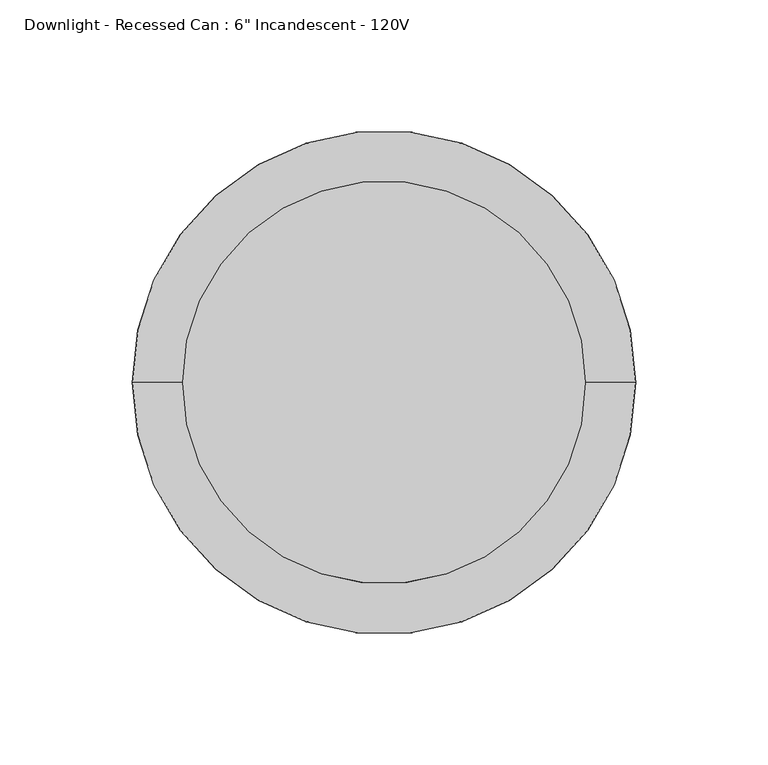
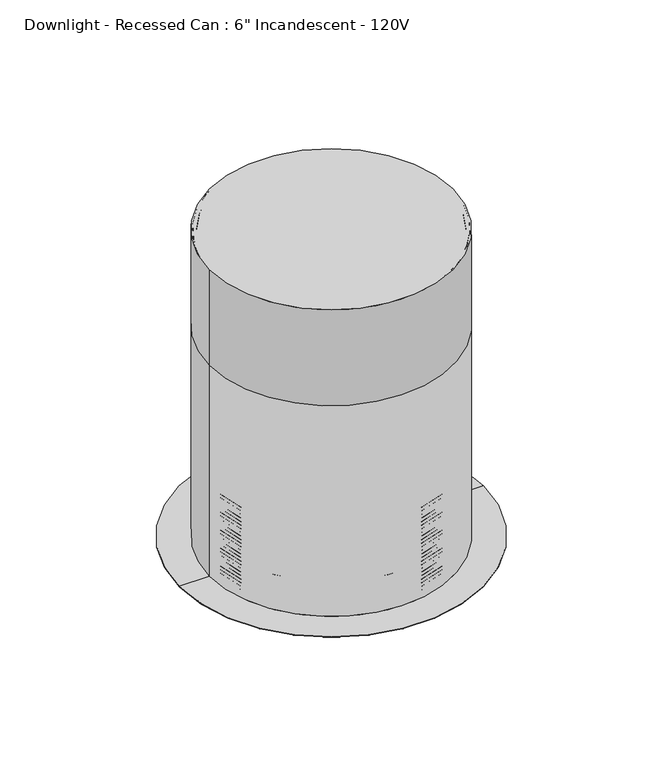
"""IFC4 building model written with IfcOpenShell, lengths in millimetres: light fixture geometry."""

from ifc_helpers import new_model, si_unit, point, frame, origin, origin_2d, place, context, project, spatial, polyline, circle_curve, ellipse_curve, trimmed, segment, composite_curve, outline, extrude, source, transform, mapped, element, save
from ifc_brep_helpers import plane_surface, cylinder_surface, revolved_surface, advanced_brep


def light_fixture_343247c4(model_context):
    return source(origin(), model_context, "Body", "SolidModel", [
        extrude(outline(composite_curve([segment(trimmed(circle_curve(origin_2d(), 76.2), [point((-76.2, 0.0))], [point((76.2, 0.0))], False, "CARTESIAN"), True, "CONTINUOUS"), segment(trimmed(circle_curve(origin_2d(), 76.2), [point((76.2, 0.0))], [point((-76.2, 0.0))], False, "CARTESIAN"), True, "CONTINUOUS")], self_intersect=False)), frame((0.0, 0.0, 2578.1), z_axis=(0.0, 0.0, 1.0), x_axis=(1.0, 0.0, 0.0)), (0.0, 0.0, 1.0), 63.5),
        advanced_brep(
        [(-75.4062638, 0.0, 2461.1274041), (75.4062638, 0.0, 2461.1274041), (75.4062638, 0.0, 2460.2502292), (-75.4062638, 0.0, 2460.2502292), (0.0, 0.0, 2444.750067), (0.0, 0.0, 2443.95625)],
        [
            (0, 1, circle_curve(frame((0.0, 0.0, 2461.1274041), z_axis=(0.0, 0.0, -1.0), x_axis=(1.0, 0.0, 0.0)), 75.4062638)),
            (1, 2),
            (2, 3, circle_curve(frame((0.0, 0.0, 2460.2502292), z_axis=(0.0, 0.0, 1.0), x_axis=(1.0, 0.0, 0.0)), 75.4062638)),
            (3, 0),
            (1, 0, circle_curve(frame((0.0, 0.0, 2461.1274041), z_axis=(0.0, 0.0, -1.0), x_axis=(1.0, 0.0, 0.0)), 75.4062638)),
            (3, 2, circle_curve(frame((0.0, 0.0, 2460.2502292), z_axis=(0.0, 0.0, 1.0), x_axis=(1.0, 0.0, 0.0)), 75.4062638)),
            (4, 1, circle_curve(frame((2.2331891, 0.0, 2616.2531893), z_axis=(0.0, -1.0, 0.0), x_axis=(1.0, 0.0, 0.0)), 171.5176612)),
            (0, 4, circle_curve(frame((-2.2331891, 0.0, 2616.2531893), z_axis=(0.0, -1.0, 0.0), x_axis=(-1.0, 0.0, 0.0)), 171.5176612)),
            (2, 5, circle_curve(frame((2.2331891, 0.0, 2616.2531893), z_axis=(0.0, 1.0, 0.0), x_axis=(1.0, 0.0, 0.0)), 172.3114112)),
            (5, 3, circle_curve(frame((-2.2331891, 0.0, 2616.2531893), z_axis=(0.0, 1.0, 0.0), x_axis=(-1.0, 0.0, 0.0)), 172.3114112)),
        ],
        [
            cylinder_surface(frame((0.0, 0.0, 2483.4474833), z_axis=(0.0, 0.0, 1.0), x_axis=(1.0, 0.0, 0.0)), 75.4062638),
            revolved_surface(trimmed(ellipse_curve(frame((2.2331891, 0.0, 2616.2531893), z_axis=(0.0, 1.0, 0.0), x_axis=(1.0, 0.0, 0.0)), 171.5176612, 171.5176612), [point((75.4062638, 0.0, 2461.1274041))], [point((0.0, 0.0, 2444.750067))], True, "CARTESIAN"), (0.0, 0.0, 2483.4474833), (0.0, 0.0, 1.0)),
            revolved_surface(trimmed(ellipse_curve(frame((2.2331891, 0.0, 2616.2531893), z_axis=(0.0, -1.0, 0.0), x_axis=(1.0, 0.0, 0.0)), 172.3114112, 172.3114112), [point((0.0, 0.0, 2443.95625))], [point((75.4062638, 0.0, 2460.2502292))], True, "CARTESIAN"), (0.0, 0.0, 2483.4474833), (0.0, 0.0, 1.0)),
        ],
        [
            (0, [[1, 2, 3, 4]]),
            (0, [[5, -4, 6, -2]]),
            (1, [[7, -1, 8]]),
            (1, [[-8, -5, -7]]),
            (2, [[-3, 9, 10]]),
            (2, [[-6, -10, -9]]),
        ],
    ),
        advanced_brep(
        [(0.0, -75.40625, 2641.6), (0.0, 75.40625, 2641.6), (0.0, 75.40625, 2438.4), (0.0, -75.40625, 2438.4), (0.0, -73.025, 2641.6), (0.0, 73.025, 2641.6), (0.0, -73.025, 2497.93125), (0.0, 73.025, 2497.93125), (0.0, -74.215625, 2496.740625), (0.0, 74.215625, 2496.740625), (0.0, -73.025, 2495.55), (0.0, 73.025, 2495.55), (0.0, -74.215625, 2494.359375), (0.0, 74.215625, 2494.359375), (0.0, -73.025, 2493.16875), (0.0, 73.025, 2493.16875), (0.0, -74.215625, 2491.978125), (0.0, 74.215625, 2491.978125), (0.0, -73.025, 2490.7875), (0.0, 73.025, 2490.7875), (0.0, -74.215625, 2489.596875), (0.0, 74.215625, 2489.596875), (0.0, -73.025, 2488.40625), (0.0, 73.025, 2488.40625), (0.0, -74.215625, 2487.215625), (0.0, 74.215625, 2487.215625), (0.0, -73.025, 2486.025), (0.0, 73.025, 2486.025), (0.0, -74.215625, 2484.834375), (0.0, 74.215625, 2484.834375), (0.0, -73.025, 2483.64375), (0.0, 73.025, 2483.64375), (0.0, -74.215625, 2482.453125), (0.0, 74.215625, 2482.453125), (0.0, -73.025, 2481.2625), (0.0, 73.025, 2481.2625), (0.0, -74.215625, 2480.071875), (0.0, 74.215625, 2480.071875), (0.0, -73.025, 2478.88125), (0.0, 73.025, 2478.88125), (0.0, -74.215625, 2477.690625), (0.0, 74.215625, 2477.690625), (0.0, -73.025, 2476.5), (0.0, 73.025, 2476.5), (0.0, -74.215625, 2475.309375), (0.0, 74.215625, 2475.309375), (0.0, -73.025, 2474.11875), (0.0, 73.025, 2474.11875), (0.0, -74.215625, 2472.928125), (0.0, 74.215625, 2472.928125), (0.0, -73.025, 2471.7375), (0.0, 73.025, 2471.7375), (0.0, -74.215625, 2470.546875), (0.0, 74.215625, 2470.546875), (0.0, -73.025, 2469.35625), (0.0, 73.025, 2469.35625), (0.0, -74.215625, 2468.165625), (0.0, 74.215625, 2468.165625), (0.0, -73.025, 2466.975), (0.0, 73.025, 2466.975), (0.0, -74.215625, 2465.784375), (0.0, 74.215625, 2465.784375), (0.0, -73.025, 2464.59375), (0.0, 73.025, 2464.59375), (0.0, -74.215625, 2463.403125), (0.0, 74.215625, 2463.403125), (0.0, -73.025, 2462.2125), (0.0, 73.025, 2462.2125), (0.0, -74.215625, 2461.021875), (0.0, 74.215625, 2461.021875), (0.0, -73.025, 2459.83125), (0.0, 73.025, 2459.83125), (0.0, -74.215625, 2458.640625), (0.0, 74.215625, 2458.640625), (0.0, -73.025, 2457.45), (0.0, 73.025, 2457.45), (0.0, -74.215625, 2456.259375), (0.0, 74.215625, 2456.259375), (0.0, -73.025, 2455.06875), (0.0, 73.025, 2455.06875), (0.0, -74.215625, 2453.878125), (0.0, 74.215625, 2453.878125), (0.0, -73.025, 2452.6875), (0.0, 73.025, 2452.6875), (0.0, -74.215625, 2451.496875), (0.0, 74.215625, 2451.496875), (0.0, -73.025, 2450.30625), (0.0, 73.025, 2450.30625), (0.0, -74.215625, 2449.115625), (0.0, 74.215625, 2449.115625), (0.0, -73.025, 2447.925), (0.0, 73.025, 2447.925), (0.0, -74.215625, 2446.734375), (0.0, 74.215625, 2446.734375), (0.0, -73.025, 2445.54375), (0.0, 73.025, 2445.54375), (0.0, -74.215625, 2444.353125), (0.0, 74.215625, 2444.353125), (0.0, -73.025, 2443.1625), (0.0, 73.025, 2443.1625), (0.0, -74.215625, 2441.971875), (0.0, 74.215625, 2441.971875), (0.0, -73.025, 2440.78125), (0.0, 73.025, 2440.78125)],
        [
            (0, 1, circle_curve(frame((0.0, 0.0, 2641.6), z_axis=(0.0, 0.0, -1.0), x_axis=(0.0, 1.0, 0.0)), 75.40625)),
            (1, 2),
            (2, 3, circle_curve(frame((0.0, 0.0, 2438.4), z_axis=(0.0, 0.0, 1.0), x_axis=(0.0, 1.0, 0.0)), 75.40625)),
            (3, 0),
            (1, 0, circle_curve(frame((0.0, 0.0, 2641.6), z_axis=(0.0, 0.0, -1.0), x_axis=(0.0, 1.0, 0.0)), 75.40625)),
            (3, 2, circle_curve(frame((0.0, 0.0, 2438.4), z_axis=(0.0, 0.0, 1.0), x_axis=(0.0, 1.0, 0.0)), 75.40625)),
            (4, 5, circle_curve(frame((0.0, 0.0, 2641.6), z_axis=(0.0, 0.0, -1.0), x_axis=(0.0, 1.0, 0.0)), 73.025)),
            (5, 1),
            (0, 4),
            (5, 4, circle_curve(frame((0.0, 0.0, 2641.6), z_axis=(0.0, 0.0, -1.0), x_axis=(0.0, 1.0, 0.0)), 73.025)),
            (6, 7, circle_curve(frame((0.0, 0.0, 2497.93125), z_axis=(0.0, 0.0, -1.0), x_axis=(0.0, 1.0, 0.0)), 73.025)),
            (7, 5),
            (4, 6),
            (7, 6, circle_curve(frame((0.0, 0.0, 2497.93125), z_axis=(0.0, 0.0, -1.0), x_axis=(0.0, 1.0, 0.0)), 73.025)),
            (8, 9, circle_curve(frame((0.0, 0.0, 2496.740625), z_axis=(0.0, 0.0, -1.0), x_axis=(0.0, 1.0, 0.0)), 74.215625)),
            (9, 7),
            (6, 8),
            (9, 8, circle_curve(frame((0.0, 0.0, 2496.740625), z_axis=(0.0, 0.0, -1.0), x_axis=(0.0, 1.0, 0.0)), 74.215625)),
            (10, 11, circle_curve(frame((0.0, 0.0, 2495.55), z_axis=(0.0, 0.0, -1.0), x_axis=(0.0, 1.0, 0.0)), 73.025)),
            (11, 9),
            (8, 10),
            (11, 10, circle_curve(frame((0.0, 0.0, 2495.55), z_axis=(0.0, 0.0, -1.0), x_axis=(0.0, 1.0, 0.0)), 73.025)),
            (12, 13, circle_curve(frame((0.0, 0.0, 2494.359375), z_axis=(0.0, 0.0, -1.0), x_axis=(0.0, 1.0, 0.0)), 74.215625)),
            (13, 11),
            (10, 12),
            (13, 12, circle_curve(frame((0.0, 0.0, 2494.359375), z_axis=(0.0, 0.0, -1.0), x_axis=(0.0, 1.0, 0.0)), 74.215625)),
            (14, 15, circle_curve(frame((0.0, 0.0, 2493.16875), z_axis=(0.0, 0.0, -1.0), x_axis=(0.0, 1.0, 0.0)), 73.025)),
            (15, 13),
            (12, 14),
            (15, 14, circle_curve(frame((0.0, 0.0, 2493.16875), z_axis=(0.0, 0.0, -1.0), x_axis=(0.0, 1.0, 0.0)), 73.025)),
            (16, 17, circle_curve(frame((0.0, 0.0, 2491.978125), z_axis=(0.0, 0.0, -1.0), x_axis=(0.0, 1.0, 0.0)), 74.215625)),
            (17, 15),
            (14, 16),
            (17, 16, circle_curve(frame((0.0, 0.0, 2491.978125), z_axis=(0.0, 0.0, -1.0), x_axis=(0.0, 1.0, 0.0)), 74.215625)),
            (18, 19, circle_curve(frame((0.0, 0.0, 2490.7875), z_axis=(0.0, 0.0, -1.0), x_axis=(0.0, 1.0, 0.0)), 73.025)),
            (19, 17),
            (16, 18),
            (19, 18, circle_curve(frame((0.0, 0.0, 2490.7875), z_axis=(0.0, 0.0, -1.0), x_axis=(0.0, 1.0, 0.0)), 73.025)),
            (20, 21, circle_curve(frame((0.0, 0.0, 2489.596875), z_axis=(0.0, 0.0, -1.0), x_axis=(0.0, 1.0, 0.0)), 74.215625)),
            (21, 19),
            (18, 20),
            (21, 20, circle_curve(frame((0.0, 0.0, 2489.596875), z_axis=(0.0, 0.0, -1.0), x_axis=(0.0, 1.0, 0.0)), 74.215625)),
            (22, 23, circle_curve(frame((0.0, 0.0, 2488.40625), z_axis=(0.0, 0.0, -1.0), x_axis=(0.0, 1.0, 0.0)), 73.025)),
            (23, 21),
            (20, 22),
            (23, 22, circle_curve(frame((0.0, 0.0, 2488.40625), z_axis=(0.0, 0.0, -1.0), x_axis=(0.0, 1.0, 0.0)), 73.025)),
            (24, 25, circle_curve(frame((0.0, 0.0, 2487.215625), z_axis=(0.0, 0.0, -1.0), x_axis=(0.0, 1.0, 0.0)), 74.215625)),
            (25, 23),
            (22, 24),
            (25, 24, circle_curve(frame((0.0, 0.0, 2487.215625), z_axis=(0.0, 0.0, -1.0), x_axis=(0.0, 1.0, 0.0)), 74.215625)),
            (26, 27, circle_curve(frame((0.0, 0.0, 2486.025), z_axis=(0.0, 0.0, -1.0), x_axis=(0.0, 1.0, 0.0)), 73.025)),
            (27, 25),
            (24, 26),
            (27, 26, circle_curve(frame((0.0, 0.0, 2486.025), z_axis=(0.0, 0.0, -1.0), x_axis=(0.0, 1.0, 0.0)), 73.025)),
            (28, 29, circle_curve(frame((0.0, 0.0, 2484.834375), z_axis=(0.0, 0.0, -1.0), x_axis=(0.0, 1.0, 0.0)), 74.215625)),
            (29, 27),
            (26, 28),
            (29, 28, circle_curve(frame((0.0, 0.0, 2484.834375), z_axis=(0.0, 0.0, -1.0), x_axis=(0.0, 1.0, 0.0)), 74.215625)),
            (30, 31, circle_curve(frame((0.0, 0.0, 2483.64375), z_axis=(0.0, 0.0, -1.0), x_axis=(0.0, 1.0, 0.0)), 73.025)),
            (31, 29),
            (28, 30),
            (31, 30, circle_curve(frame((0.0, 0.0, 2483.64375), z_axis=(0.0, 0.0, -1.0), x_axis=(0.0, 1.0, 0.0)), 73.025)),
            (32, 33, circle_curve(frame((0.0, 0.0, 2482.453125), z_axis=(0.0, 0.0, -1.0), x_axis=(0.0, 1.0, 0.0)), 74.215625)),
            (33, 31),
            (30, 32),
            (33, 32, circle_curve(frame((0.0, 0.0, 2482.453125), z_axis=(0.0, 0.0, -1.0), x_axis=(0.0, 1.0, 0.0)), 74.215625)),
            (34, 35, circle_curve(frame((0.0, 0.0, 2481.2625), z_axis=(0.0, 0.0, -1.0), x_axis=(0.0, 1.0, 0.0)), 73.025)),
            (35, 33),
            (32, 34),
            (35, 34, circle_curve(frame((0.0, 0.0, 2481.2625), z_axis=(0.0, 0.0, -1.0), x_axis=(0.0, 1.0, 0.0)), 73.025)),
            (36, 37, circle_curve(frame((0.0, 0.0, 2480.071875), z_axis=(0.0, 0.0, -1.0), x_axis=(0.0, 1.0, 0.0)), 74.215625)),
            (37, 35),
            (34, 36),
            (37, 36, circle_curve(frame((0.0, 0.0, 2480.071875), z_axis=(0.0, 0.0, -1.0), x_axis=(0.0, 1.0, 0.0)), 74.215625)),
            (38, 39, circle_curve(frame((0.0, 0.0, 2478.88125), z_axis=(0.0, 0.0, -1.0), x_axis=(0.0, 1.0, 0.0)), 73.025)),
            (39, 37),
            (36, 38),
            (39, 38, circle_curve(frame((0.0, 0.0, 2478.88125), z_axis=(0.0, 0.0, -1.0), x_axis=(0.0, 1.0, 0.0)), 73.025)),
            (40, 41, circle_curve(frame((0.0, 0.0, 2477.690625), z_axis=(0.0, 0.0, -1.0), x_axis=(0.0, 1.0, 0.0)), 74.215625)),
            (41, 39),
            (38, 40),
            (41, 40, circle_curve(frame((0.0, 0.0, 2477.690625), z_axis=(0.0, 0.0, -1.0), x_axis=(0.0, 1.0, 0.0)), 74.215625)),
            (42, 43, circle_curve(frame((0.0, 0.0, 2476.5), z_axis=(0.0, 0.0, -1.0), x_axis=(0.0, 1.0, 0.0)), 73.025)),
            (43, 41),
            (40, 42),
            (43, 42, circle_curve(frame((0.0, 0.0, 2476.5), z_axis=(0.0, 0.0, -1.0), x_axis=(0.0, 1.0, 0.0)), 73.025)),
            (44, 45, circle_curve(frame((0.0, 0.0, 2475.309375), z_axis=(0.0, 0.0, -1.0), x_axis=(0.0, 1.0, 0.0)), 74.215625)),
            (45, 43),
            (42, 44),
            (45, 44, circle_curve(frame((0.0, 0.0, 2475.309375), z_axis=(0.0, 0.0, -1.0), x_axis=(0.0, 1.0, 0.0)), 74.215625)),
            (46, 47, circle_curve(frame((0.0, 0.0, 2474.11875), z_axis=(0.0, 0.0, -1.0), x_axis=(0.0, 1.0, 0.0)), 73.025)),
            (47, 45),
            (44, 46),
            (47, 46, circle_curve(frame((0.0, 0.0, 2474.11875), z_axis=(0.0, 0.0, -1.0), x_axis=(0.0, 1.0, 0.0)), 73.025)),
            (48, 49, circle_curve(frame((0.0, 0.0, 2472.928125), z_axis=(0.0, 0.0, -1.0), x_axis=(0.0, 1.0, 0.0)), 74.215625)),
            (49, 47),
            (46, 48),
            (49, 48, circle_curve(frame((0.0, 0.0, 2472.928125), z_axis=(0.0, 0.0, -1.0), x_axis=(0.0, 1.0, 0.0)), 74.215625)),
            (50, 51, circle_curve(frame((0.0, 0.0, 2471.7375), z_axis=(0.0, 0.0, -1.0), x_axis=(0.0, 1.0, 0.0)), 73.025)),
            (51, 49),
            (48, 50),
            (51, 50, circle_curve(frame((0.0, 0.0, 2471.7375), z_axis=(0.0, 0.0, -1.0), x_axis=(0.0, 1.0, 0.0)), 73.025)),
            (52, 53, circle_curve(frame((0.0, 0.0, 2470.546875), z_axis=(0.0, 0.0, -1.0), x_axis=(0.0, 1.0, 0.0)), 74.215625)),
            (53, 51),
            (50, 52),
            (53, 52, circle_curve(frame((0.0, 0.0, 2470.546875), z_axis=(0.0, 0.0, -1.0), x_axis=(0.0, 1.0, 0.0)), 74.215625)),
            (54, 55, circle_curve(frame((0.0, 0.0, 2469.35625), z_axis=(0.0, 0.0, -1.0), x_axis=(0.0, 1.0, 0.0)), 73.025)),
            (55, 53),
            (52, 54),
            (55, 54, circle_curve(frame((0.0, 0.0, 2469.35625), z_axis=(0.0, 0.0, -1.0), x_axis=(0.0, 1.0, 0.0)), 73.025)),
            (56, 57, circle_curve(frame((0.0, 0.0, 2468.165625), z_axis=(0.0, 0.0, -1.0), x_axis=(0.0, 1.0, 0.0)), 74.215625)),
            (57, 55),
            (54, 56),
            (57, 56, circle_curve(frame((0.0, 0.0, 2468.165625), z_axis=(0.0, 0.0, -1.0), x_axis=(0.0, 1.0, 0.0)), 74.215625)),
            (58, 59, circle_curve(frame((0.0, 0.0, 2466.975), z_axis=(0.0, 0.0, -1.0), x_axis=(0.0, 1.0, 0.0)), 73.025)),
            (59, 57),
            (56, 58),
            (59, 58, circle_curve(frame((0.0, 0.0, 2466.975), z_axis=(0.0, 0.0, -1.0), x_axis=(0.0, 1.0, 0.0)), 73.025)),
            (60, 61, circle_curve(frame((0.0, 0.0, 2465.784375), z_axis=(0.0, 0.0, -1.0), x_axis=(0.0, 1.0, 0.0)), 74.215625)),
            (61, 59),
            (58, 60),
            (61, 60, circle_curve(frame((0.0, 0.0, 2465.784375), z_axis=(0.0, 0.0, -1.0), x_axis=(0.0, 1.0, 0.0)), 74.215625)),
            (62, 63, circle_curve(frame((0.0, 0.0, 2464.59375), z_axis=(0.0, 0.0, -1.0), x_axis=(0.0, 1.0, 0.0)), 73.025)),
            (63, 61),
            (60, 62),
            (63, 62, circle_curve(frame((0.0, 0.0, 2464.59375), z_axis=(0.0, 0.0, -1.0), x_axis=(0.0, 1.0, 0.0)), 73.025)),
            (64, 65, circle_curve(frame((0.0, 0.0, 2463.403125), z_axis=(0.0, 0.0, -1.0), x_axis=(0.0, 1.0, 0.0)), 74.215625)),
            (65, 63),
            (62, 64),
            (65, 64, circle_curve(frame((0.0, 0.0, 2463.403125), z_axis=(0.0, 0.0, -1.0), x_axis=(0.0, 1.0, 0.0)), 74.215625)),
            (66, 67, circle_curve(frame((0.0, 0.0, 2462.2125), z_axis=(0.0, 0.0, -1.0), x_axis=(0.0, 1.0, 0.0)), 73.025)),
            (67, 65),
            (64, 66),
            (67, 66, circle_curve(frame((0.0, 0.0, 2462.2125), z_axis=(0.0, 0.0, -1.0), x_axis=(0.0, 1.0, 0.0)), 73.025)),
            (68, 69, circle_curve(frame((0.0, 0.0, 2461.021875), z_axis=(0.0, 0.0, -1.0), x_axis=(0.0, 1.0, 0.0)), 74.215625)),
            (69, 67),
            (66, 68),
            (69, 68, circle_curve(frame((0.0, 0.0, 2461.021875), z_axis=(0.0, 0.0, -1.0), x_axis=(0.0, 1.0, 0.0)), 74.215625)),
            (70, 71, circle_curve(frame((0.0, 0.0, 2459.83125), z_axis=(0.0, 0.0, -1.0), x_axis=(0.0, 1.0, 0.0)), 73.025)),
            (71, 69),
            (68, 70),
            (71, 70, circle_curve(frame((0.0, 0.0, 2459.83125), z_axis=(0.0, 0.0, -1.0), x_axis=(0.0, 1.0, 0.0)), 73.025)),
            (72, 73, circle_curve(frame((0.0, 0.0, 2458.640625), z_axis=(0.0, 0.0, -1.0), x_axis=(0.0, 1.0, 0.0)), 74.215625)),
            (73, 71),
            (70, 72),
            (73, 72, circle_curve(frame((0.0, 0.0, 2458.640625), z_axis=(0.0, 0.0, -1.0), x_axis=(0.0, 1.0, 0.0)), 74.215625)),
            (74, 75, circle_curve(frame((0.0, 0.0, 2457.45), z_axis=(0.0, 0.0, -1.0), x_axis=(0.0, 1.0, 0.0)), 73.025)),
            (75, 73),
            (72, 74),
            (75, 74, circle_curve(frame((0.0, 0.0, 2457.45), z_axis=(0.0, 0.0, -1.0), x_axis=(0.0, 1.0, 0.0)), 73.025)),
            (76, 77, circle_curve(frame((0.0, 0.0, 2456.259375), z_axis=(0.0, 0.0, -1.0), x_axis=(0.0, 1.0, 0.0)), 74.215625)),
            (77, 75),
            (74, 76),
            (77, 76, circle_curve(frame((0.0, 0.0, 2456.259375), z_axis=(0.0, 0.0, -1.0), x_axis=(0.0, 1.0, 0.0)), 74.215625)),
            (78, 79, circle_curve(frame((0.0, 0.0, 2455.06875), z_axis=(0.0, 0.0, -1.0), x_axis=(0.0, 1.0, 0.0)), 73.025)),
            (79, 77),
            (76, 78),
            (79, 78, circle_curve(frame((0.0, 0.0, 2455.06875), z_axis=(0.0, 0.0, -1.0), x_axis=(0.0, 1.0, 0.0)), 73.025)),
            (80, 81, circle_curve(frame((0.0, 0.0, 2453.878125), z_axis=(0.0, 0.0, -1.0), x_axis=(0.0, 1.0, 0.0)), 74.215625)),
            (81, 79),
            (78, 80),
            (81, 80, circle_curve(frame((0.0, 0.0, 2453.878125), z_axis=(0.0, 0.0, -1.0), x_axis=(0.0, 1.0, 0.0)), 74.215625)),
            (82, 83, circle_curve(frame((0.0, 0.0, 2452.6875), z_axis=(0.0, 0.0, -1.0), x_axis=(0.0, 1.0, 0.0)), 73.025)),
            (83, 81),
            (80, 82),
            (83, 82, circle_curve(frame((0.0, 0.0, 2452.6875), z_axis=(0.0, 0.0, -1.0), x_axis=(0.0, 1.0, 0.0)), 73.025)),
            (84, 85, circle_curve(frame((0.0, 0.0, 2451.496875), z_axis=(0.0, 0.0, -1.0), x_axis=(0.0, 1.0, 0.0)), 74.215625)),
            (85, 83),
            (82, 84),
            (85, 84, circle_curve(frame((0.0, 0.0, 2451.496875), z_axis=(0.0, 0.0, -1.0), x_axis=(0.0, 1.0, 0.0)), 74.215625)),
            (86, 87, circle_curve(frame((0.0, 0.0, 2450.30625), z_axis=(0.0, 0.0, -1.0), x_axis=(0.0, 1.0, 0.0)), 73.025)),
            (87, 85),
            (84, 86),
            (87, 86, circle_curve(frame((0.0, 0.0, 2450.30625), z_axis=(0.0, 0.0, -1.0), x_axis=(0.0, 1.0, 0.0)), 73.025)),
            (88, 89, circle_curve(frame((0.0, 0.0, 2449.115625), z_axis=(0.0, 0.0, -1.0), x_axis=(0.0, 1.0, 0.0)), 74.215625)),
            (89, 87),
            (86, 88),
            (89, 88, circle_curve(frame((0.0, 0.0, 2449.115625), z_axis=(0.0, 0.0, -1.0), x_axis=(0.0, 1.0, 0.0)), 74.215625)),
            (90, 91, circle_curve(frame((0.0, 0.0, 2447.925), z_axis=(0.0, 0.0, -1.0), x_axis=(0.0, 1.0, 0.0)), 73.025)),
            (91, 89),
            (88, 90),
            (91, 90, circle_curve(frame((0.0, 0.0, 2447.925), z_axis=(0.0, 0.0, -1.0), x_axis=(0.0, 1.0, 0.0)), 73.025)),
            (92, 93, circle_curve(frame((0.0, 0.0, 2446.734375), z_axis=(0.0, 0.0, -1.0), x_axis=(0.0, 1.0, 0.0)), 74.215625)),
            (93, 91),
            (90, 92),
            (93, 92, circle_curve(frame((0.0, 0.0, 2446.734375), z_axis=(0.0, 0.0, -1.0), x_axis=(0.0, 1.0, 0.0)), 74.215625)),
            (94, 95, circle_curve(frame((0.0, 0.0, 2445.54375), z_axis=(0.0, 0.0, -1.0), x_axis=(0.0, 1.0, 0.0)), 73.025)),
            (95, 93),
            (92, 94),
            (95, 94, circle_curve(frame((0.0, 0.0, 2445.54375), z_axis=(0.0, 0.0, -1.0), x_axis=(0.0, 1.0, 0.0)), 73.025)),
            (96, 97, circle_curve(frame((0.0, 0.0, 2444.353125), z_axis=(0.0, 0.0, -1.0), x_axis=(0.0, 1.0, 0.0)), 74.215625)),
            (97, 95),
            (94, 96),
            (97, 96, circle_curve(frame((0.0, 0.0, 2444.353125), z_axis=(0.0, 0.0, -1.0), x_axis=(0.0, 1.0, 0.0)), 74.215625)),
            (98, 99, circle_curve(frame((0.0, 0.0, 2443.1625), z_axis=(0.0, 0.0, -1.0), x_axis=(0.0, 1.0, 0.0)), 73.025)),
            (99, 97),
            (96, 98),
            (99, 98, circle_curve(frame((0.0, 0.0, 2443.1625), z_axis=(0.0, 0.0, -1.0), x_axis=(0.0, 1.0, 0.0)), 73.025)),
            (100, 101, circle_curve(frame((0.0, 0.0, 2441.971875), z_axis=(0.0, 0.0, -1.0), x_axis=(0.0, 1.0, 0.0)), 74.215625)),
            (101, 99),
            (98, 100),
            (101, 100, circle_curve(frame((0.0, 0.0, 2441.971875), z_axis=(0.0, 0.0, -1.0), x_axis=(0.0, 1.0, 0.0)), 74.215625)),
            (102, 103, circle_curve(frame((0.0, 0.0, 2440.78125), z_axis=(0.0, 0.0, -1.0), x_axis=(0.0, 1.0, 0.0)), 73.025)),
            (103, 101),
            (100, 102),
            (103, 102, circle_curve(frame((0.0, 0.0, 2440.78125), z_axis=(0.0, 0.0, -1.0), x_axis=(0.0, 1.0, 0.0)), 73.025)),
            (2, 103),
            (102, 3),
        ],
        [
            cylinder_surface(frame((0.0, 0.0, 2410.61875), z_axis=(0.0, 0.0, 1.0), x_axis=(0.0, 1.0, 0.0)), 75.40625),
            plane_surface(frame((0.0, 0.0, 2641.6), z_axis=(0.0, 0.0, 1.0), x_axis=(0.0, 1.0, 0.0))),
            revolved_surface(polyline([(0.0, 73.025, 2641.6), (0.0, 73.025, 2497.93125)]), (0.0, 0.0, 2410.61875), (0.0, 0.0, 1.0)),
            revolved_surface(polyline([(0.0, 73.025, 2497.93125), (0.0, 74.215625, 2496.740625)]), (0.0, 0.0, 2410.61875), (0.0, 0.0, 1.0)),
            revolved_surface(polyline([(0.0, 74.215625, 2496.740625), (0.0, 73.025, 2495.55)]), (0.0, 0.0, 2410.61875), (0.0, 0.0, 1.0)),
            revolved_surface(polyline([(0.0, 73.025, 2495.55), (0.0, 74.215625, 2494.359375)]), (0.0, 0.0, 2410.61875), (0.0, 0.0, 1.0)),
            revolved_surface(polyline([(0.0, 74.215625, 2494.359375), (0.0, 73.025, 2493.16875)]), (0.0, 0.0, 2410.61875), (0.0, 0.0, 1.0)),
            revolved_surface(polyline([(0.0, 73.025, 2493.16875), (0.0, 74.215625, 2491.978125)]), (0.0, 0.0, 2410.61875), (0.0, 0.0, 1.0)),
            revolved_surface(polyline([(0.0, 74.215625, 2491.978125), (0.0, 73.025, 2490.7875)]), (0.0, 0.0, 2410.61875), (0.0, 0.0, 1.0)),
            revolved_surface(polyline([(0.0, 73.025, 2490.7875), (0.0, 74.215625, 2489.596875)]), (0.0, 0.0, 2410.61875), (0.0, 0.0, 1.0)),
            revolved_surface(polyline([(0.0, 74.215625, 2489.596875), (0.0, 73.025, 2488.40625)]), (0.0, 0.0, 2410.61875), (0.0, 0.0, 1.0)),
            revolved_surface(polyline([(0.0, 73.025, 2488.40625), (0.0, 74.215625, 2487.215625)]), (0.0, 0.0, 2410.61875), (0.0, 0.0, 1.0)),
            revolved_surface(polyline([(0.0, 74.215625, 2487.215625), (0.0, 73.025, 2486.025)]), (0.0, 0.0, 2410.61875), (0.0, 0.0, 1.0)),
            revolved_surface(polyline([(0.0, 73.025, 2486.025), (0.0, 74.215625, 2484.834375)]), (0.0, 0.0, 2410.61875), (0.0, 0.0, 1.0)),
            revolved_surface(polyline([(0.0, 74.215625, 2484.834375), (0.0, 73.025, 2483.64375)]), (0.0, 0.0, 2410.61875), (0.0, 0.0, 1.0)),
            revolved_surface(polyline([(0.0, 73.025, 2483.64375), (0.0, 74.215625, 2482.453125)]), (0.0, 0.0, 2410.61875), (0.0, 0.0, 1.0)),
            revolved_surface(polyline([(0.0, 74.215625, 2482.453125), (0.0, 73.025, 2481.2625)]), (0.0, 0.0, 2410.61875), (0.0, 0.0, 1.0)),
            revolved_surface(polyline([(0.0, 73.025, 2481.2625), (0.0, 74.215625, 2480.071875)]), (0.0, 0.0, 2410.61875), (0.0, 0.0, 1.0)),
            revolved_surface(polyline([(0.0, 74.215625, 2480.071875), (0.0, 73.025, 2478.88125)]), (0.0, 0.0, 2410.61875), (0.0, 0.0, 1.0)),
            revolved_surface(polyline([(0.0, 73.025, 2478.88125), (0.0, 74.215625, 2477.690625)]), (0.0, 0.0, 2410.61875), (0.0, 0.0, 1.0)),
            revolved_surface(polyline([(0.0, 74.215625, 2477.690625), (0.0, 73.025, 2476.5)]), (0.0, 0.0, 2410.61875), (0.0, 0.0, 1.0)),
            revolved_surface(polyline([(0.0, 73.025, 2476.5), (0.0, 74.215625, 2475.309375)]), (0.0, 0.0, 2410.61875), (0.0, 0.0, 1.0)),
            revolved_surface(polyline([(0.0, 74.215625, 2475.309375), (0.0, 73.025, 2474.11875)]), (0.0, 0.0, 2410.61875), (0.0, 0.0, 1.0)),
            revolved_surface(polyline([(0.0, 73.025, 2474.11875), (0.0, 74.215625, 2472.928125)]), (0.0, 0.0, 2410.61875), (0.0, 0.0, 1.0)),
            revolved_surface(polyline([(0.0, 74.215625, 2472.928125), (0.0, 73.025, 2471.7375)]), (0.0, 0.0, 2410.61875), (0.0, 0.0, 1.0)),
            revolved_surface(polyline([(0.0, 73.025, 2471.7375), (0.0, 74.215625, 2470.546875)]), (0.0, 0.0, 2410.61875), (0.0, 0.0, 1.0)),
            revolved_surface(polyline([(0.0, 74.215625, 2470.546875), (0.0, 73.025, 2469.35625)]), (0.0, 0.0, 2410.61875), (0.0, 0.0, 1.0)),
            revolved_surface(polyline([(0.0, 73.025, 2469.35625), (0.0, 74.215625, 2468.165625)]), (0.0, 0.0, 2410.61875), (0.0, 0.0, 1.0)),
            revolved_surface(polyline([(0.0, 74.215625, 2468.165625), (0.0, 73.025, 2466.975)]), (0.0, 0.0, 2410.61875), (0.0, 0.0, 1.0)),
            revolved_surface(polyline([(0.0, 73.025, 2466.975), (0.0, 74.215625, 2465.784375)]), (0.0, 0.0, 2410.61875), (0.0, 0.0, 1.0)),
            revolved_surface(polyline([(0.0, 74.215625, 2465.784375), (0.0, 73.025, 2464.59375)]), (0.0, 0.0, 2410.61875), (0.0, 0.0, 1.0)),
            revolved_surface(polyline([(0.0, 73.025, 2464.59375), (0.0, 74.215625, 2463.403125)]), (0.0, 0.0, 2410.61875), (0.0, 0.0, 1.0)),
            revolved_surface(polyline([(0.0, 74.215625, 2463.403125), (0.0, 73.025, 2462.2125)]), (0.0, 0.0, 2410.61875), (0.0, 0.0, 1.0)),
            revolved_surface(polyline([(0.0, 73.025, 2462.2125), (0.0, 74.215625, 2461.021875)]), (0.0, 0.0, 2410.61875), (0.0, 0.0, 1.0)),
            revolved_surface(polyline([(0.0, 74.215625, 2461.021875), (0.0, 73.025, 2459.83125)]), (0.0, 0.0, 2410.61875), (0.0, 0.0, 1.0)),
            revolved_surface(polyline([(0.0, 73.025, 2459.83125), (0.0, 74.215625, 2458.640625)]), (0.0, 0.0, 2410.61875), (0.0, 0.0, 1.0)),
            revolved_surface(polyline([(0.0, 74.215625, 2458.640625), (0.0, 73.025, 2457.45)]), (0.0, 0.0, 2410.61875), (0.0, 0.0, 1.0)),
            revolved_surface(polyline([(0.0, 73.025, 2457.45), (0.0, 74.215625, 2456.259375)]), (0.0, 0.0, 2410.61875), (0.0, 0.0, 1.0)),
            revolved_surface(polyline([(0.0, 74.215625, 2456.259375), (0.0, 73.025, 2455.06875)]), (0.0, 0.0, 2410.61875), (0.0, 0.0, 1.0)),
            revolved_surface(polyline([(0.0, 73.025, 2455.06875), (0.0, 74.215625, 2453.878125)]), (0.0, 0.0, 2410.61875), (0.0, 0.0, 1.0)),
            revolved_surface(polyline([(0.0, 74.215625, 2453.878125), (0.0, 73.025, 2452.6875)]), (0.0, 0.0, 2410.61875), (0.0, 0.0, 1.0)),
            revolved_surface(polyline([(0.0, 73.025, 2452.6875), (0.0, 74.215625, 2451.496875)]), (0.0, 0.0, 2410.61875), (0.0, 0.0, 1.0)),
            revolved_surface(polyline([(0.0, 74.215625, 2451.496875), (0.0, 73.025, 2450.30625)]), (0.0, 0.0, 2410.61875), (0.0, 0.0, 1.0)),
            revolved_surface(polyline([(0.0, 73.025, 2450.30625), (0.0, 74.215625, 2449.115625)]), (0.0, 0.0, 2410.61875), (0.0, 0.0, 1.0)),
            revolved_surface(polyline([(0.0, 74.215625, 2449.115625), (0.0, 73.025, 2447.925)]), (0.0, 0.0, 2410.61875), (0.0, 0.0, 1.0)),
            revolved_surface(polyline([(0.0, 73.025, 2447.925), (0.0, 74.215625, 2446.734375)]), (0.0, 0.0, 2410.61875), (0.0, 0.0, 1.0)),
            revolved_surface(polyline([(0.0, 74.215625, 2446.734375), (0.0, 73.025, 2445.54375)]), (0.0, 0.0, 2410.61875), (0.0, 0.0, 1.0)),
            revolved_surface(polyline([(0.0, 73.025, 2445.54375), (0.0, 74.215625, 2444.353125)]), (0.0, 0.0, 2410.61875), (0.0, 0.0, 1.0)),
            revolved_surface(polyline([(0.0, 74.215625, 2444.353125), (0.0, 73.025, 2443.1625)]), (0.0, 0.0, 2410.61875), (0.0, 0.0, 1.0)),
            revolved_surface(polyline([(0.0, 73.025, 2443.1625), (0.0, 74.215625, 2441.971875)]), (0.0, 0.0, 2410.61875), (0.0, 0.0, 1.0)),
            revolved_surface(polyline([(0.0, 74.215625, 2441.971875), (0.0, 73.025, 2440.78125)]), (0.0, 0.0, 2410.61875), (0.0, 0.0, 1.0)),
            revolved_surface(polyline([(0.0, 73.025, 2440.78125), (0.0, 75.40625, 2438.4)]), (0.0, 0.0, 2410.61875), (0.0, 0.0, 1.0)),
        ],
        [
            (0, [[1, 2, 3, 4]]),
            (0, [[5, -4, 6, -2]]),
            (1, [[7, 8, -1, 9]]),
            (1, [[10, -9, -5, -8]]),
            (2, [[11, 12, -7, 13]]),
            (2, [[14, -13, -10, -12]]),
            (3, [[15, 16, -11, 17]]),
            (3, [[18, -17, -14, -16]]),
            (4, [[19, 20, -15, 21]]),
            (4, [[22, -21, -18, -20]]),
            (5, [[23, 24, -19, 25]]),
            (5, [[26, -25, -22, -24]]),
            (6, [[27, 28, -23, 29]]),
            (6, [[30, -29, -26, -28]]),
            (7, [[31, 32, -27, 33]]),
            (7, [[34, -33, -30, -32]]),
            (8, [[35, 36, -31, 37]]),
            (8, [[38, -37, -34, -36]]),
            (9, [[39, 40, -35, 41]]),
            (9, [[42, -41, -38, -40]]),
            (10, [[43, 44, -39, 45]]),
            (10, [[46, -45, -42, -44]]),
            (11, [[47, 48, -43, 49]]),
            (11, [[50, -49, -46, -48]]),
            (12, [[51, 52, -47, 53]]),
            (12, [[54, -53, -50, -52]]),
            (13, [[55, 56, -51, 57]]),
            (13, [[58, -57, -54, -56]]),
            (14, [[59, 60, -55, 61]]),
            (14, [[62, -61, -58, -60]]),
            (15, [[63, 64, -59, 65]]),
            (15, [[66, -65, -62, -64]]),
            (16, [[67, 68, -63, 69]]),
            (16, [[70, -69, -66, -68]]),
            (17, [[71, 72, -67, 73]]),
            (17, [[74, -73, -70, -72]]),
            (18, [[75, 76, -71, 77]]),
            (18, [[78, -77, -74, -76]]),
            (19, [[79, 80, -75, 81]]),
            (19, [[82, -81, -78, -80]]),
            (20, [[83, 84, -79, 85]]),
            (20, [[86, -85, -82, -84]]),
            (21, [[87, 88, -83, 89]]),
            (21, [[90, -89, -86, -88]]),
            (22, [[91, 92, -87, 93]]),
            (22, [[94, -93, -90, -92]]),
            (23, [[95, 96, -91, 97]]),
            (23, [[98, -97, -94, -96]]),
            (24, [[99, 100, -95, 101]]),
            (24, [[102, -101, -98, -100]]),
            (25, [[103, 104, -99, 105]]),
            (25, [[106, -105, -102, -104]]),
            (26, [[107, 108, -103, 109]]),
            (26, [[110, -109, -106, -108]]),
            (27, [[111, 112, -107, 113]]),
            (27, [[114, -113, -110, -112]]),
            (28, [[115, 116, -111, 117]]),
            (28, [[118, -117, -114, -116]]),
            (29, [[119, 120, -115, 121]]),
            (29, [[122, -121, -118, -120]]),
            (30, [[123, 124, -119, 125]]),
            (30, [[126, -125, -122, -124]]),
            (31, [[127, 128, -123, 129]]),
            (31, [[130, -129, -126, -128]]),
            (32, [[131, 132, -127, 133]]),
            (32, [[134, -133, -130, -132]]),
            (33, [[135, 136, -131, 137]]),
            (33, [[138, -137, -134, -136]]),
            (34, [[139, 140, -135, 141]]),
            (34, [[142, -141, -138, -140]]),
            (35, [[143, 144, -139, 145]]),
            (35, [[146, -145, -142, -144]]),
            (36, [[147, 148, -143, 149]]),
            (36, [[150, -149, -146, -148]]),
            (37, [[151, 152, -147, 153]]),
            (37, [[154, -153, -150, -152]]),
            (38, [[155, 156, -151, 157]]),
            (38, [[158, -157, -154, -156]]),
            (39, [[159, 160, -155, 161]]),
            (39, [[162, -161, -158, -160]]),
            (40, [[163, 164, -159, 165]]),
            (40, [[166, -165, -162, -164]]),
            (41, [[167, 168, -163, 169]]),
            (41, [[170, -169, -166, -168]]),
            (42, [[171, 172, -167, 173]]),
            (42, [[174, -173, -170, -172]]),
            (43, [[175, 176, -171, 177]]),
            (43, [[178, -177, -174, -176]]),
            (44, [[179, 180, -175, 181]]),
            (44, [[182, -181, -178, -180]]),
            (45, [[183, 184, -179, 185]]),
            (45, [[186, -185, -182, -184]]),
            (46, [[187, 188, -183, 189]]),
            (46, [[190, -189, -186, -188]]),
            (47, [[191, 192, -187, 193]]),
            (47, [[194, -193, -190, -192]]),
            (48, [[195, 196, -191, 197]]),
            (48, [[198, -197, -194, -196]]),
            (49, [[199, 200, -195, 201]]),
            (49, [[202, -201, -198, -200]]),
            (50, [[203, 204, -199, 205]]),
            (50, [[206, -205, -202, -204]]),
            (51, [[-3, 207, -203, 208]]),
            (51, [[-6, -208, -206, -207]]),
        ],
    ),
        advanced_brep(
        [(-76.2, 0.0, 2438.4), (76.2, 0.0, 2438.4), (76.2, 0.0, 2641.6), (-76.2, 0.0, 2641.6), (-95.25, 0.0, 2438.4), (95.25, 0.0, 2438.4), (-94.5415485, 0.0, 2437.5691216), (94.5415485, 0.0, 2437.5691216), (-76.6546358, 0.0, 2436.6317083), (76.6546358, 0.0, 2436.6317083), (-75.40625, 0.0, 2437.8163821), (75.40625, 0.0, 2437.8163821), (-75.40625, 0.0, 2641.6), (75.40625, 0.0, 2641.6)],
        [
            (0, 1, circle_curve(frame((0.0, 0.0, 2438.4), z_axis=(0.0, 0.0, 1.0), x_axis=(1.0, 0.0, 0.0)), 76.2)),
            (1, 2),
            (2, 3, circle_curve(frame((0.0, 0.0, 2641.6), z_axis=(0.0, 0.0, -1.0), x_axis=(1.0, 0.0, 0.0)), 76.2)),
            (3, 0),
            (1, 0, circle_curve(frame((0.0, 0.0, 2438.4), z_axis=(0.0, 0.0, 1.0), x_axis=(1.0, 0.0, 0.0)), 76.2)),
            (3, 2, circle_curve(frame((0.0, 0.0, 2641.6), z_axis=(0.0, 0.0, -1.0), x_axis=(1.0, 0.0, 0.0)), 76.2)),
            (4, 5, circle_curve(frame((0.0, 0.0, 2438.4), z_axis=(0.0, 0.0, 1.0), x_axis=(1.0, 0.0, 0.0)), 95.25)),
            (5, 1),
            (0, 4),
            (5, 4, circle_curve(frame((0.0, 0.0, 2438.4), z_axis=(0.0, 0.0, 1.0), x_axis=(1.0, 0.0, 0.0)), 95.25)),
            (6, 7, circle_curve(frame((0.0, 0.0, 2437.5691216), z_axis=(0.0, 0.0, 1.0), x_axis=(1.0, 0.0, 0.0)), 94.5415485)),
            (7, 5, circle_curve(frame((94.5021886, 0.0, 2438.320153), z_axis=(0.0, -1.0, 0.0), x_axis=(0.0, 0.0, 1.0)), 0.7520621)),
            (4, 6, circle_curve(frame((-94.5021886, 0.0, 2438.320153), z_axis=(0.0, -1.0, 0.0), x_axis=(0.0, 0.0, 1.0)), 0.7520621)),
            (7, 6, circle_curve(frame((0.0, 0.0, 2437.5691216), z_axis=(0.0, 0.0, 1.0), x_axis=(1.0, 0.0, 0.0)), 94.5415485)),
            (8, 9, circle_curve(frame((0.0, 0.0, 2436.6317083), z_axis=(0.0, 0.0, 1.0), x_axis=(1.0, 0.0, 0.0)), 76.6546358)),
            (9, 7),
            (6, 8),
            (9, 8, circle_curve(frame((0.0, 0.0, 2436.6317083), z_axis=(0.0, 0.0, 1.0), x_axis=(1.0, 0.0, 0.0)), 76.6546358)),
            (10, 11, circle_curve(frame((0.0, 0.0, 2437.8163821), z_axis=(0.0, 0.0, 1.0), x_axis=(1.0, 0.0, 0.0)), 75.40625)),
            (11, 9, circle_curve(frame((76.5925496, 0.0, 2437.8163821), z_axis=(0.0, -1.0, 0.0), x_axis=(0.0, 0.0, 1.0)), 1.1862996)),
            (8, 10, circle_curve(frame((-76.5925496, 0.0, 2437.8163821), z_axis=(0.0, -1.0, 0.0), x_axis=(0.0, 0.0, 1.0)), 1.1862996)),
            (11, 10, circle_curve(frame((0.0, 0.0, 2437.8163821), z_axis=(0.0, 0.0, 1.0), x_axis=(1.0, 0.0, 0.0)), 75.40625)),
            (12, 13, circle_curve(frame((0.0, 0.0, 2641.6), z_axis=(0.0, 0.0, 1.0), x_axis=(1.0, 0.0, 0.0)), 75.40625)),
            (13, 11),
            (10, 12),
            (13, 12, circle_curve(frame((0.0, 0.0, 2641.6), z_axis=(0.0, 0.0, 1.0), x_axis=(1.0, 0.0, 0.0)), 75.40625)),
            (2, 13),
            (12, 3),
        ],
        [
            cylinder_surface(frame((0.0, 0.0, 2686.05), z_axis=(0.0, 0.0, -1.0), x_axis=(1.0, 0.0, 0.0)), 76.2),
            plane_surface(frame((0.0, 0.0, 2438.4), z_axis=(0.0, 0.0, 1.0), x_axis=(1.0, 0.0, 0.0))),
            revolved_surface(trimmed(ellipse_curve(frame((94.5021886, 0.0, 2438.320153), z_axis=(0.0, 1.0, 0.0), x_axis=(0.0, 0.0, 1.0)), 0.7520621, 0.7520621), [point((95.25, 0.0, 2438.4))], [point((94.5415485, 0.0, 2437.5691216))], True, "CARTESIAN"), (0.0, 0.0, 2686.05), (0.0, 0.0, -1.0)),
            revolved_surface(polyline([(94.5415485, 0.0, 2437.5691216), (76.6546358, 0.0, 2436.6317083)]), (0.0, 0.0, 2686.05), (0.0, 0.0, -1.0)),
            revolved_surface(trimmed(ellipse_curve(frame((76.5925496, 0.0, 2437.8163821), z_axis=(0.0, 1.0, 0.0), x_axis=(0.0, 0.0, 1.0)), 1.1862996, 1.1862996), [point((76.6546358, 0.0, 2436.6317083))], [point((75.40625, 0.0, 2437.8163821))], True, "CARTESIAN"), (0.0, 0.0, 2686.05), (0.0, 0.0, -1.0)),
            revolved_surface(polyline([(75.40625, 0.0, 2437.8163821), (75.40625, 0.0, 2641.6)]), (0.0, 0.0, 2686.05), (0.0, 0.0, -1.0)),
            plane_surface(frame((0.0, 0.0, 2641.6), z_axis=(0.0, 0.0, 1.0), x_axis=(1.0, 0.0, 0.0))),
        ],
        [
            (0, [[1, 2, 3, 4]]),
            (0, [[5, -4, 6, -2]]),
            (1, [[7, 8, -1, 9]]),
            (1, [[10, -9, -5, -8]]),
            (2, [[11, 12, -7, 13]]),
            (2, [[14, -13, -10, -12]]),
            (3, [[15, 16, -11, 17]]),
            (3, [[18, -17, -14, -16]]),
            (4, [[19, 20, -15, 21]]),
            (4, [[22, -21, -18, -20]]),
            (5, [[23, 24, -19, 25]]),
            (5, [[26, -25, -22, -24]]),
            (6, [[-3, 27, -23, 28]]),
            (6, [[-6, -28, -26, -27]]),
        ],
    ),
    ])


if __name__ == "__main__":
    model = new_model("IFC4")
    model_context = context("Model", 3, world=origin())
    ifc_project = project(units=[si_unit("LENGTHUNIT", "METRE", prefix="MILLI")], contexts=[model_context])
    site = spatial("IfcSite", under=ifc_project)
    building = spatial("IfcBuilding", under=site)
    placement = place(None, origin())
    light_fixture_shape = light_fixture_343247c4(model_context)
    element("IfcLightFixture", 1, ObjectType="Downlight - Recessed Can : 6\" Incandescent - 120V", at=placement, inside=building, context=model_context, shape_type="MappedRepresentation", body=[
        mapped(light_fixture_shape, transform((0.0, 0.0, 0.0), x_axis=(1.0, 0.0, 0.0), y_axis=(0.0, 1.0, 0.0), z_axis=(0.0, 0.0, 1.0))),
    ])
    save(model, "model.ifc")
